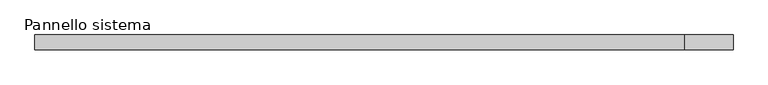
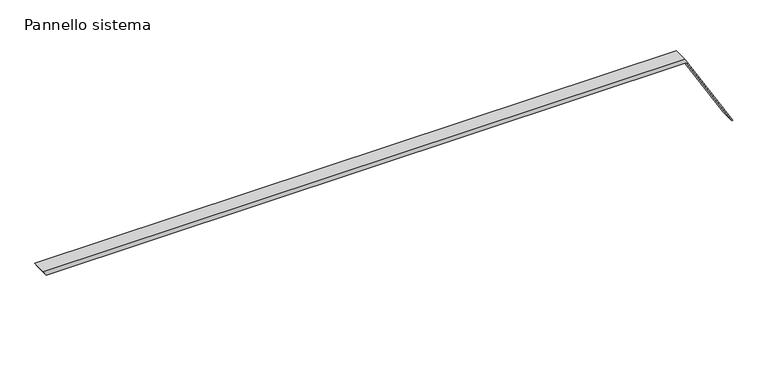
"""IFC4 building model written with IfcOpenShell, lengths in millimetres: plate geometry, Pannello sistema."""

from ifc_helpers import new_model, si_unit, frame, origin, place, context, project, spatial, polyline, outline, extrude, source, transform, mapped, element, save


def pannello_sistema_6c938b4b(model_context):
    return source(origin(), model_context, "Body", "SweptSolid", [
        extrude(outline(polyline([(0.0, 578.5732157), (0.7233851, 579.80128), (136.9640818, 499.5493766), (136.9640818, -579.80128), (129.4958025, -575.4021273), (129.4958025, 502.2943586), (0.0, 578.5732157)])), frame((0.0, -12.5, 0.0), z_axis=(0.0, 1.0, 0.0), x_axis=(0.0, 0.0, 1.0)), (0.0, 0.0, 1.0), 25.0),
    ])


if __name__ == "__main__":
    model = new_model("IFC4")
    model_context = context("Model", 3, world=origin())
    ifc_project = project(units=[si_unit("LENGTHUNIT", "METRE", prefix="MILLI")], contexts=[model_context])
    site = spatial("IfcSite", under=ifc_project)
    building = spatial("IfcBuilding", under=site)
    placement = place(None, origin())
    pannello_sistema_shape = pannello_sistema_6c938b4b(model_context)
    element("IfcPlate", 1, ObjectType="Pannello sistema", at=placement, inside=building, context=model_context, shape_type="MappedRepresentation", body=[
        mapped(pannello_sistema_shape, transform((0.0, 0.0, 0.0), x_axis=(1.0, 0.0, 0.0), y_axis=(0.0, 1.0, 0.0), z_axis=(0.0, 0.0, 1.0))),
    ])
    save(model, "model.ifc")
